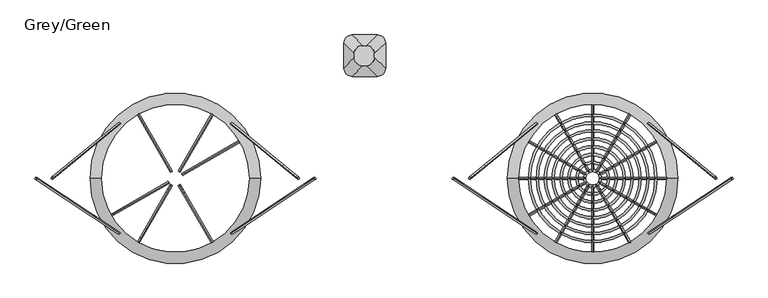
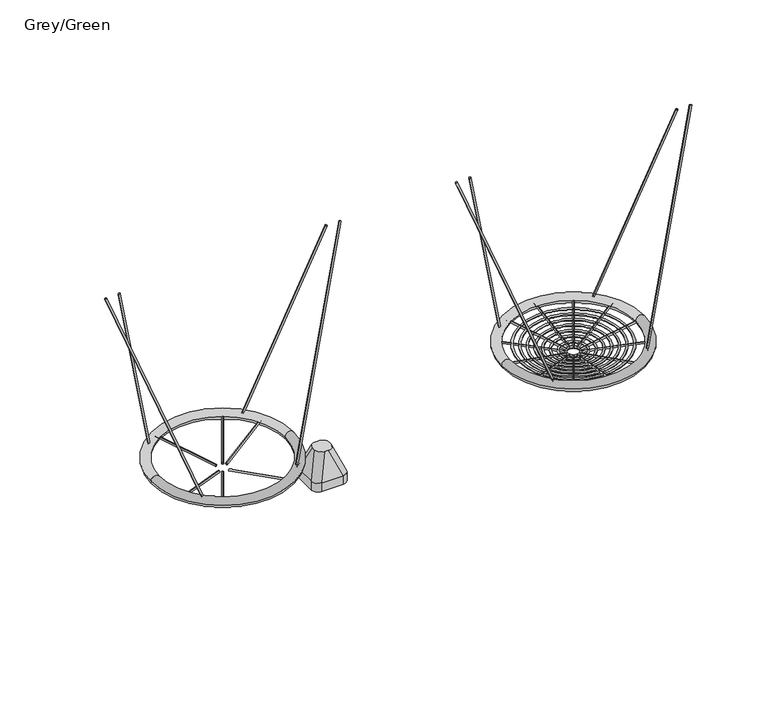
"""IFC4 building model written with IfcOpenShell, lengths in millimetres: furniture geometry, Grey/Green."""

from ifc_helpers import new_model, si_unit, point, frame, frame_2d, origin, place, context, project, spatial, circle_curve, ellipse_curve, trimmed, segment, composite_curve, outline, extrude, source, transform, mapped, element, save
from ifc_brep_helpers import plane_surface, cylinder_surface, revolved_surface, extruded_surface, advanced_brep


def grey_green_6af22bba(model_context):
    return source(origin(), model_context, "Body", "SolidModel", [
        advanced_brep(
        [(1275.0, 729.6564102, -604.0), (1215.0, 789.6564102, -604.0), (1215.0, 969.6564102, -604.0), (1275.0, 1029.6564102, -604.0), (1455.0, 1029.6564102, -604.0), (1515.0, 969.6564102, -604.0), (1515.0, 789.6564102, -604.0), (1455.0, 729.6564102, -604.0), (1455.0, 729.6564102, -526.0689494), (1275.0, 729.6564102, -526.0689494), (1515.0, 969.6564102, -526.0689494), (1515.0, 789.6564102, -526.0689494), (1275.0, 1029.6564102, -526.0689494), (1455.0, 1029.6564102, -526.0689494), (1215.0, 789.6564102, -526.0689494), (1215.0, 969.6564102, -526.0689494), (1373.9540451, 808.2074699, -316.0689494), (1433.9540451, 868.2074699, -316.0689494), (1433.9540451, 893.2074699, -316.0689494), (1373.9540451, 953.2074699, -316.0689494), (1348.9540451, 953.2074699, -316.0689494), (1288.9540451, 893.2074699, -316.0689494), (1288.9540451, 868.2074699, -316.0689494), (1348.9540451, 808.2074699, -316.0689494)],
        [
            (0, 1, circle_curve(frame((1275.0, 789.6564102, -604.0), z_axis=(0.0, 0.0, -1.0), x_axis=(-1.0, 0.0, 0.0)), 60.0)),
            (1, 2),
            (2, 3, circle_curve(frame((1275.0, 969.6564102, -604.0), z_axis=(0.0, 0.0, -1.0), x_axis=(-1.0, 0.0, 0.0)), 60.0)),
            (3, 4),
            (4, 5, circle_curve(frame((1455.0, 969.6564102, -604.0), z_axis=(0.0, 0.0, -1.0), x_axis=(-1.0, 0.0, 0.0)), 60.0)),
            (5, 6),
            (6, 7, circle_curve(frame((1455.0, 789.6564102, -604.0), z_axis=(0.0, 0.0, -1.0), x_axis=(-1.0, 0.0, 0.0)), 60.0)),
            (7, 0),
            (7, 8),
            (8, 9),
            (9, 0),
            (5, 10),
            (10, 11),
            (11, 6),
            (3, 12),
            (12, 13),
            (13, 4),
            (1, 14),
            (14, 15),
            (15, 2),
            (16, 17, circle_curve(frame((1373.9540451, 868.2074699, -316.0689494), z_axis=(0.0, 0.0, 1.0), x_axis=(-1.0, 0.0, 0.0)), 60.0)),
            (17, 18),
            (18, 19, circle_curve(frame((1373.9540451, 893.2074699, -316.0689494), z_axis=(0.0, 0.0, 1.0), x_axis=(-1.0, 0.0, 0.0)), 60.0)),
            (19, 20),
            (20, 21, circle_curve(frame((1348.9540451, 893.2074699, -316.0689494), z_axis=(0.0, 0.0, 1.0), x_axis=(-1.0, 0.0, 0.0)), 60.0)),
            (21, 22),
            (22, 23, circle_curve(frame((1348.9540451, 868.2074699, -316.0689494), z_axis=(0.0, 0.0, 1.0), x_axis=(-1.0, 0.0, 0.0)), 60.0)),
            (23, 16),
            (17, 11),
            (10, 18),
            (19, 13),
            (12, 20),
            (21, 15),
            (14, 22),
            (23, 9),
            (8, 16),
            (11, 8, circle_curve(frame((1455.0, 789.6564102, -526.0689494), z_axis=(0.0, 0.0, -1.0), x_axis=(-1.0, 0.0, 0.0)), 60.0)),
            (13, 10, circle_curve(frame((1455.0, 969.6564102, -526.0689494), z_axis=(0.0, 0.0, -1.0), x_axis=(-1.0, 0.0, 0.0)), 60.0)),
            (15, 12, circle_curve(frame((1275.0, 969.6564102, -526.0689494), z_axis=(0.0, 0.0, -1.0), x_axis=(-1.0, 0.0, 0.0)), 60.0)),
            (9, 14, circle_curve(frame((1275.0, 789.6564102, -526.0689494), z_axis=(0.0, 0.0, -1.0), x_axis=(-1.0, 0.0, 0.0)), 60.0)),
        ],
        [
            plane_surface(frame((1541.6329682, 729.6564102, -604.0), z_axis=(0.0, 0.0, -1.0), x_axis=(-1.0, 0.0, 0.0))),
            plane_surface(frame((1275.0, 729.6564102, -526.0689494), z_axis=(0.0, -1.0, 0.0), x_axis=(0.0, 0.0, -1.0))),
            plane_surface(frame((1515.0, 789.6564102, -526.0689494), z_axis=(1.0, 0.0, 0.0), x_axis=(0.0, 0.0, -1.0))),
            plane_surface(frame((1455.0, 1029.6564102, -526.0689494), z_axis=(0.0, 1.0, 0.0), x_axis=(0.0, 0.0, -1.0))),
            plane_surface(frame((1215.0, 969.6564102, -526.0689494), z_axis=(-1.0, 0.0, 0.0), x_axis=(0.0, 0.0, -1.0))),
            plane_surface(frame((1361.4540451, 880.7074699, -316.0689494), z_axis=(0.0, 0.0, 1.0), x_axis=(1.0, 0.0, 0.0))),
            plane_surface(frame((1515.0, 879.6564102, -526.0689494), z_axis=(0.9329330935587706, 0.0, 0.36004977842357055), x_axis=(0.0, 1.0, 0.0))),
            plane_surface(frame((1365.0, 1029.6564102, -526.0689494), z_axis=(0.0, 0.9396707723277333, 0.34208016550656856), x_axis=(-1.0, 0.0, 0.0))),
            plane_surface(frame((1215.0, 879.6564102, -526.0689494), z_axis=(-0.9432207285248213, 0.0, 0.33216661072586046), x_axis=(0.0, -1.0, 0.0))),
            plane_surface(frame((1365.0, 729.6564102, -526.0689494), z_axis=(0.0, -0.9366205672401335, 0.35034541958297477), x_axis=(1.0, 0.0, 0.0))),
            cylinder_surface(frame((1455.0, 789.6564102, -604.0), z_axis=(0.0, 0.0, 1.0), x_axis=(-1.0, 0.0, 0.0)), 60.0),
            cylinder_surface(frame((1455.0, 969.6564102, -604.0), z_axis=(0.0, 0.0, 1.0), x_axis=(-1.0, 0.0, 0.0)), 60.0),
            cylinder_surface(frame((1275.0, 969.6564102, -604.0), z_axis=(0.0, 0.0, 1.0), x_axis=(-1.0, 0.0, 0.0)), 60.0),
            cylinder_surface(frame((1275.0, 789.6564102, -604.0), z_axis=(0.0, 0.0, 1.0), x_axis=(-1.0, 0.0, 0.0)), 60.0),
            extruded_surface(trimmed(circle_curve(frame((1455.0, 789.6564102, -526.0689494), z_axis=(0.0, 0.0, 1.0), x_axis=(-1.0, 0.0, 0.0)), 60.0), [point((1455.0, 729.6564102, -526.0689494))], [point((1515.0, 789.6564102, -526.0689494))], True, "CARTESIAN"), (-81.04595489999997, 78.5510597, 209.99999999999994), 238.40871583406042),
            extruded_surface(trimmed(circle_curve(frame((1275.0, 789.6564102, -526.0689494), z_axis=(0.0, 0.0, 1.0), x_axis=(-1.0, 0.0, 0.0)), 60.0), [point((1215.0, 789.6564102, -526.0689494))], [point((1275.0, 729.6564102, -526.0689494))], True, "CARTESIAN"), (73.95404510000003, 78.5510597, 209.99999999999994), 236.0920790002193),
            extruded_surface(trimmed(circle_curve(frame((1455.0, 969.6564102, -526.0689494), z_axis=(0.0, 0.0, 1.0), x_axis=(-1.0, 0.0, 0.0)), 60.0), [point((1515.0, 969.6564102, -526.0689494))], [point((1455.0, 1029.6564102, -526.0689494))], True, "CARTESIAN"), (-81.04595489999997, -76.4489403, 209.99999999999994), 237.72439352882105),
            extruded_surface(trimmed(circle_curve(frame((1275.0, 969.6564102, -526.0689494), z_axis=(0.0, 0.0, 1.0), x_axis=(-1.0, 0.0, 0.0)), 60.0), [point((1275.0, 1029.6564102, -526.0689494))], [point((1215.0, 969.6564102, -526.0689494))], True, "CARTESIAN"), (73.95404510000003, -76.4489403, 209.99999999999994), 235.4010222145303),
        ],
        [
            (0, [[1, 2, 3, 4, 5, 6, 7, 8]]),
            (1, [[-8, 9, 10, 11]]),
            (2, [[-6, 12, 13, 14]]),
            (3, [[-4, 15, 16, 17]]),
            (4, [[-2, 18, 19, 20]]),
            (5, [[21, 22, 23, 24, 25, 26, 27, 28]]),
            (6, [[-22, 29, -13, 30]]),
            (7, [[-24, 31, -16, 32]]),
            (8, [[-26, 33, -19, 34]]),
            (9, [[-28, 35, -10, 36]]),
            (10, [[-7, -14, 37, -9]]),
            (11, [[-5, -17, 38, -12]]),
            (12, [[-3, -20, 39, -15]]),
            (13, [[-1, -11, 40, -18]]),
            (14, [[-21, -36, -37, -29]]),
            (15, [[-27, -34, -40, -35]]),
            (16, [[-23, -30, -38, -31]]),
            (17, [[-25, -32, -39, -33]]),
        ],
    ),
        extrude(outline(composite_curve([segment(trimmed(circle_curve(frame_2d((0.0, -8.0)), 8.0), [point((0.0, -16.0000001))], [point((0.0, 0.0))], False, "CARTESIAN"), True, "CONTINUOUS"), segment(trimmed(circle_curve(frame_2d((0.0, -8.0)), 8.0), [point((0.0, 0.0))], [point((0.0, -16.0000001))], False, "CARTESIAN"), True, "CONTINUOUS")], self_intersect=False)), frame((3414.7422445, 394.1498449, 610.6111416), z_axis=(0.2584020941085009, -0.211804995170902, 0.9425322285105141), x_axis=(-0.05600141735473467, -0.9773119481622305, -0.20426746494145032)), (0.0, 0.0, 1.0), 1883.5295867),
        extrude(outline(composite_curve([segment(trimmed(circle_curve(frame_2d((0.0, -8.0)), 8.0), [point((0.0, -16.0000001))], [point((0.0, 0.0))], False, "CARTESIAN"), True, "CONTINUOUS"), segment(trimmed(circle_curve(frame_2d((0.0, -8.0)), 8.0), [point((0.0, 0.0))], [point((0.0, -16.0000001))], False, "CARTESIAN"), True, "CONTINUOUS")], self_intersect=False)), frame((3414.6090341, -405.7062822, 610.149837), z_axis=(0.3152303539748724, 0.2080728409075072, 0.9259241420384049), x_axis=(0.06705856372205599, -0.9781133333498113, 0.19697069872155026)), (0.0, 0.0, 1.0), 1917.4037037),
        extrude(outline(composite_curve([segment(trimmed(circle_curve(frame_2d((0.0, -8.0)), 8.0), [point((0.0, -16.0000001))], [point((0.0, 0.0))], False, "CARTESIAN"), True, "CONTINUOUS"), segment(trimmed(circle_curve(frame_2d((0.0, -8.0)), 8.0), [point((0.0, 0.0))], [point((0.0, -16.0000001))], False, "CARTESIAN"), True, "CONTINUOUS")], self_intersect=False)), frame((2599.2577555, 394.1498449, 610.6111416), z_axis=(-0.25840209410850096, -0.21180499517090198, 0.942532228510514), x_axis=(-0.05600141735473466, 0.9773119481622304, 0.20426746494145032)), (0.0, 0.0, 1.0), 1883.5295867),
        extrude(outline(composite_curve([segment(trimmed(circle_curve(frame_2d((0.0, -8.0)), 8.0), [point((0.0, -16.0000001))], [point((0.0, 0.0))], False, "CARTESIAN"), True, "CONTINUOUS"), segment(trimmed(circle_curve(frame_2d((0.0, -8.0)), 8.0), [point((0.0, 0.0))], [point((0.0, -16.0000001))], False, "CARTESIAN"), True, "CONTINUOUS")], self_intersect=False)), frame((2599.3909659, -405.7062822, 610.149837), z_axis=(-0.3152303539748724, 0.20807284090750716, 0.9259241420384049), x_axis=(0.06705856372205597, 0.9781133333498113, -0.19697069872155024)), (0.0, 0.0, 1.0), 1917.4037037),
        advanced_brep(
        [(3542.0, -5.7567737, 592.6648611), (2472.0, -5.7567737, 592.6648611), (2392.0, -5.7567737, 592.6648611), (3622.0, -5.7567737, 592.6648611)],
        [
            (0, 1, circle_curve(frame((3007.0, -5.7567737, 592.6648611), z_axis=(0.0, 0.0, -1.0), x_axis=(-1.0, 0.0, 0.0)), 535.0)),
            (1, 2, circle_curve(frame((2432.0, -5.7567737, 592.6648611), z_axis=(0.0, -1.0, 0.0), x_axis=(1.0, 0.0, 0.0)), 40.0)),
            (2, 3, circle_curve(frame((3007.0, -5.7567737, 592.6648611), z_axis=(0.0, 0.0, 1.0), x_axis=(-1.0, 0.0, 0.0)), 615.0)),
            (3, 0, circle_curve(frame((3582.0, -5.7567737, 592.6648611), z_axis=(0.0, -1.0, 0.0), x_axis=(-1.0, 0.0, 0.0)), 40.0)),
            (2, 1, circle_curve(frame((2432.0, -5.7567737, 592.6648611), z_axis=(0.0, -1.0, 0.0), x_axis=(1.0, 0.0, 0.0)), 40.0)),
            (0, 3, circle_curve(frame((3582.0, -5.7567737, 592.6648611), z_axis=(0.0, -1.0, 0.0), x_axis=(-1.0, 0.0, 0.0)), 40.0)),
            (1, 0, circle_curve(frame((3007.0, -5.7567737, 592.6648611), z_axis=(0.0, 0.0, -1.0), x_axis=(1.0, 0.0, 0.0)), 535.0)),
            (3, 2, circle_curve(frame((3007.0, -5.7567737, 592.6648611), z_axis=(0.0, 0.0, 1.0), x_axis=(1.0, 0.0, 0.0)), 615.0)),
        ],
        [
            revolved_surface(trimmed(ellipse_curve(frame((2432.0, -5.7567737, 592.6648611), z_axis=(0.0, 1.0, 0.0), x_axis=(1.0, 0.0, 0.0)), 40.0, 40.0), [point((2392.0, -5.7567737, 592.6648611))], [point((2472.0, -5.7567737, 592.6648611))], True, "CARTESIAN"), (3007.0, -5.7567737, 0.1), (0.0, 0.0, 1.0)),
            revolved_surface(trimmed(ellipse_curve(frame((2432.0, -5.7567737, 592.6648611), z_axis=(0.0, 1.0, 0.0), x_axis=(1.0, 0.0, 0.0)), 40.0, 40.0), [point((2472.0, -5.7567737, 592.6648611))], [point((2392.0, -5.7567737, 592.6648611))], True, "CARTESIAN"), (3007.0, -5.7567737, 0.1), (0.0, 0.0, 1.0)),
            revolved_surface(trimmed(ellipse_curve(frame((3582.0, -5.7567737, 592.6648611), z_axis=(0.0, -1.0, 0.0), x_axis=(-1.0, 0.0, 0.0)), 40.0, 40.0), [point((3622.0, -5.7567737, 592.6648611))], [point((3542.0, -5.7567737, 592.6648611))], True, "CARTESIAN"), (3007.0, -5.7567737, 0.1), (0.0, 0.0, 1.0)),
            revolved_surface(trimmed(ellipse_curve(frame((3582.0, -5.7567737, 592.6648611), z_axis=(0.0, -1.0, 0.0), x_axis=(-1.0, 0.0, 0.0)), 40.0, 40.0), [point((3542.0, -5.7567737, 592.6648611))], [point((3622.0, -5.7567737, 592.6648611))], True, "CARTESIAN"), (3007.0, -5.7567737, 0.1), (0.0, 0.0, 1.0)),
        ],
        [
            (0, [[1, 2, 3, 4]]),
            (1, [[-3, 5, -1, 6]]),
            (2, [[7, -4, 8, -2]]),
            (3, [[-8, -6, -7, -5]]),
        ],
    ),
        extrude(outline(composite_curve([segment(trimmed(circle_curve(frame_2d((0.0, -8.0000001)), 8.0), [point((0.0, -16.0))], [point((0.0, 0.0))], False, "CARTESIAN"), True, "CONTINUOUS"), segment(trimmed(circle_curve(frame_2d((0.0, -8.0000001)), 8.0), [point((0.0, 0.0))], [point((0.0, -16.0))], False, "CARTESIAN"), True, "CONTINUOUS")], self_intersect=False)), frame((2958.6945278, -33.6501141, 510.4143934), z_axis=(-0.8532184077808869, -0.4926058774098319, 0.17134117475124827), x_axis=(0.49999999999999467, -0.8660254037844417, 0.0)), (0.0, 0.0, 1.0), 525.6770169),
        extrude(outline(composite_curve([segment(trimmed(circle_curve(frame_2d((0.0, -8.0000001)), 8.0), [point((0.0, -16.0))], [point((0.0, 0.0))], False, "CARTESIAN"), True, "CONTINUOUS"), segment(trimmed(circle_curve(frame_2d((0.0, -8.0000001)), 8.0), [point((0.0, 0.0))], [point((0.0, -16.0))], False, "CARTESIAN"), True, "CONTINUOUS")], self_intersect=False)), frame((3055.2360089, 22.088136, 510.5528529), z_axis=(0.8532184077808838, 0.4926058774098376, 0.17134117475124827), x_axis=(-0.5000000000000003, 0.8660254037844385, 0.0)), (0.0, 0.0, 1.0), 525.6770169),
        extrude(outline(composite_curve([segment(trimmed(circle_curve(frame_2d((0.0, -8.0000001)), 8.0), [point((0.0, -16.0))], [point((0.0, 0.0))], False, "CARTESIAN"), True, "CONTINUOUS"), segment(trimmed(circle_curve(frame_2d((0.0, -8.0000001)), 8.0), [point((0.0, 0.0))], [point((0.0, -16.0))], False, "CARTESIAN"), True, "CONTINUOUS")], self_intersect=False)), frame((2979.0961433, -54.0517296, 510.4143934), z_axis=(-0.492605877409843, -0.8532184077808806, 0.1713411747512483), x_axis=(0.8660254037844353, -0.5000000000000059, 0.0)), (0.0, 0.0, 1.0), 525.6770169),
        extrude(outline(composite_curve([segment(trimmed(circle_curve(frame_2d((0.0, -8.0000001)), 8.0), [point((0.0, -16.0))], [point((0.0, 0.0))], False, "CARTESIAN"), True, "CONTINUOUS"), segment(trimmed(circle_curve(frame_2d((0.0, -8.0000001)), 8.0), [point((0.0, 0.0))], [point((0.0, -16.0))], False, "CARTESIAN"), True, "CONTINUOUS")], self_intersect=False)), frame((3034.8343934, 42.4897515, 510.5528529), z_axis=(0.4926058774098375, 0.8532184077808838, 0.1713411747512483), x_axis=(-0.8660254037844385, 0.5000000000000003, 0.0)), (0.0, 0.0, 1.0), 525.6770169),
        extrude(outline(composite_curve([segment(trimmed(circle_curve(frame_2d((0.0, -8.0000001)), 8.0), [point((0.0, -16.0))], [point((0.0, 0.0))], False, "CARTESIAN"), True, "CONTINUOUS"), segment(trimmed(circle_curve(frame_2d((0.0, -8.0000001)), 8.0), [point((0.0, 0.0))], [point((0.0, -16.0))], False, "CARTESIAN"), True, "CONTINUOUS")], self_intersect=False)), frame((2979.0961433, 42.4897515, 510.4143934), z_axis=(-0.49260587740982914, 0.8532184077808888, 0.17134117475124835), x_axis=(-0.8660254037844434, -0.49999999999999173, 0.0)), (0.0, 0.0, 1.0), 525.6770169),
        extrude(outline(composite_curve([segment(trimmed(circle_curve(frame_2d((0.0, -8.0000001)), 8.0), [point((0.0, -16.0))], [point((0.0, 0.0))], False, "CARTESIAN"), True, "CONTINUOUS"), segment(trimmed(circle_curve(frame_2d((0.0, -8.0000001)), 8.0), [point((0.0, 0.0))], [point((0.0, -16.0))], False, "CARTESIAN"), True, "CONTINUOUS")], self_intersect=False)), frame((3034.8343934, -54.0517296, 510.5528529), z_axis=(0.49260587740983475, -0.8532184077808853, 0.17134117475124838), x_axis=(0.8660254037844402, 0.4999999999999975, 0.0)), (0.0, 0.0, 1.0), 525.6770169),
        extrude(outline(composite_curve([segment(trimmed(circle_curve(frame_2d((0.0, -8.0000001)), 8.0), [point((0.0, -16.0))], [point((0.0, 0.0))], False, "CARTESIAN"), True, "CONTINUOUS"), segment(trimmed(circle_curve(frame_2d((0.0, -8.0000001)), 8.0), [point((0.0, 0.0))], [point((0.0, -16.0))], False, "CARTESIAN"), True, "CONTINUOUS")], self_intersect=False)), frame((2958.6945278, 22.088136, 510.4143934), z_axis=(-0.8532184077808784, 0.4926058774098467, 0.17134117475124833), x_axis=(-0.5000000000000097, -0.8660254037844332, 0.0)), (0.0, 0.0, 1.0), 525.6770169),
        extrude(outline(composite_curve([segment(trimmed(circle_curve(frame_2d((0.0, -8.0000001)), 8.0), [point((0.0, -16.0))], [point((0.0, 0.0))], False, "CARTESIAN"), True, "CONTINUOUS"), segment(trimmed(circle_curve(frame_2d((0.0, -8.0000001)), 8.0), [point((0.0, 0.0))], [point((0.0, -16.0))], False, "CARTESIAN"), True, "CONTINUOUS")], self_intersect=False)), frame((3055.2360089, -33.6501141, 510.5528529), z_axis=(0.8532184077808816, -0.49260587740984113, 0.17134117475124833), x_axis=(0.500000000000004, 0.8660254037844364, 0.0)), (0.0, 0.0, 1.0), 525.6770169),
        extrude(outline(composite_curve([segment(trimmed(circle_curve(frame_2d((0.0, -8.0000001)), 8.0), [point((0.0, -16.0))], [point((0.0, 0.0))], False, "CARTESIAN"), True, "CONTINUOUS"), segment(trimmed(circle_curve(frame_2d((0.0, -8.0000001)), 8.0), [point((0.0, 0.0))], [point((0.0, -16.0))], False, "CARTESIAN"), True, "CONTINUOUS")], self_intersect=False)), frame((2951.2270182, -5.7809891, 510.4143934), z_axis=(-0.9852117548196744, 0.0, 0.1713411747512483), x_axis=(0.0, -1.0, 0.0)), (0.0, 0.0, 1.0), 525.6770169),
        extrude(outline(composite_curve([segment(trimmed(circle_curve(frame_2d((0.0, -8.0000001)), 8.0), [point((0.0, -16.0))], [point((0.0, 0.0))], False, "CARTESIAN"), True, "CONTINUOUS"), segment(trimmed(circle_curve(frame_2d((0.0, -8.0000001)), 8.0), [point((0.0, 0.0))], [point((0.0, -16.0))], False, "CARTESIAN"), True, "CONTINUOUS")], self_intersect=False)), frame((3062.7035184, -5.7809891, 510.5528529), z_axis=(0.9852117548196744, 0.0, 0.1713411747512483), x_axis=(0.0, 1.0, 0.0)), (0.0, 0.0, 1.0), 525.6770169),
        extrude(outline(composite_curve([segment(trimmed(circle_curve(frame_2d((0.0, -8.0000001)), 8.0), [point((0.0, -16.0))], [point((0.0, 0.0))], False, "CARTESIAN"), True, "CONTINUOUS"), segment(trimmed(circle_curve(frame_2d((0.0, -8.0000001)), 8.0), [point((0.0, 0.0))], [point((0.0, -16.0))], False, "CARTESIAN"), True, "CONTINUOUS")], self_intersect=False)), frame((3006.9652683, -61.5192392, 510.4143934), z_axis=(0.0, -0.9852117548196744, 0.17134117475124827), x_axis=(1.0, 0.0, 0.0)), (0.0, 0.0, 1.0), 525.6770169),
        extrude(outline(composite_curve([segment(trimmed(circle_curve(frame_2d((0.0, -8.0000001)), 8.0), [point((0.0, -16.0))], [point((0.0, 0.0))], False, "CARTESIAN"), True, "CONTINUOUS"), segment(trimmed(circle_curve(frame_2d((0.0, -8.0000001)), 8.0), [point((0.0, 0.0))], [point((0.0, -16.0))], False, "CARTESIAN"), True, "CONTINUOUS")], self_intersect=False)), frame((3006.9652683, 49.957261, 510.5528529), z_axis=(0.0, 0.9852117548196744, 0.1713411747512483), x_axis=(-1.0, 0.0, 0.0)), (0.0, 0.0, 1.0), 525.6770169),
        advanced_brep(
        [(3455.7364652, -5.7567737, 572.190214), (2558.2635348, -5.7567737, 572.190214), (2542.2635348, -5.7567737, 572.190214), (3471.7364652, -5.7567737, 572.190214)],
        [
            (0, 1, circle_curve(frame((3007.0, -5.7567737, 572.190214), z_axis=(0.0, 0.0, -1.0), x_axis=(-1.0, 0.0, 0.0)), 448.7364652)),
            (1, 2, circle_curve(frame((2550.2635348, -5.7567737, 572.190214), z_axis=(0.0, -1.0, 0.0), x_axis=(1.0, 0.0, 0.0)), 8.0)),
            (2, 3, circle_curve(frame((3007.0, -5.7567737, 572.190214), z_axis=(0.0, 0.0, 1.0), x_axis=(-1.0, 0.0, 0.0)), 464.7364652)),
            (3, 0, circle_curve(frame((3463.7364652, -5.7567737, 572.190214), z_axis=(0.0, -1.0, 0.0), x_axis=(-1.0, 0.0, 0.0)), 8.0)),
            (2, 1, circle_curve(frame((2550.2635348, -5.7567737, 572.190214), z_axis=(0.0, -1.0, 0.0), x_axis=(1.0, 0.0, 0.0)), 8.0)),
            (0, 3, circle_curve(frame((3463.7364652, -5.7567737, 572.190214), z_axis=(0.0, -1.0, 0.0), x_axis=(-1.0, 0.0, 0.0)), 8.0)),
            (1, 0, circle_curve(frame((3007.0, -5.7567737, 572.190214), z_axis=(0.0, 0.0, -1.0), x_axis=(1.0, 0.0, 0.0)), 448.7364652)),
            (3, 2, circle_curve(frame((3007.0, -5.7567737, 572.190214), z_axis=(0.0, 0.0, 1.0), x_axis=(1.0, 0.0, 0.0)), 464.7364652)),
        ],
        [
            revolved_surface(trimmed(ellipse_curve(frame((2550.2635348, -5.7567737, 572.190214), z_axis=(0.0, 1.0, 0.0), x_axis=(1.0, 0.0, 0.0)), 8.0, 8.0), [point((2542.2635348, -5.7567737, 572.190214))], [point((2558.2635348, -5.7567737, 572.190214))], True, "CARTESIAN"), (3007.0, -5.7567737, 0.1), (0.0, 0.0, 1.0)),
            revolved_surface(trimmed(ellipse_curve(frame((2550.2635348, -5.7567737, 572.190214), z_axis=(0.0, 1.0, 0.0), x_axis=(1.0, 0.0, 0.0)), 8.0, 8.0), [point((2558.2635348, -5.7567737, 572.190214))], [point((2542.2635348, -5.7567737, 572.190214))], True, "CARTESIAN"), (3007.0, -5.7567737, 0.1), (0.0, 0.0, 1.0)),
            revolved_surface(trimmed(ellipse_curve(frame((3463.7364652, -5.7567737, 572.190214), z_axis=(0.0, -1.0, 0.0), x_axis=(-1.0, 0.0, 0.0)), 8.0, 8.0), [point((3471.7364652, -5.7567737, 572.190214))], [point((3455.7364652, -5.7567737, 572.190214))], True, "CARTESIAN"), (3007.0, -5.7567737, 0.1), (0.0, 0.0, 1.0)),
            revolved_surface(trimmed(ellipse_curve(frame((3463.7364652, -5.7567737, 572.190214), z_axis=(0.0, -1.0, 0.0), x_axis=(-1.0, 0.0, 0.0)), 8.0, 8.0), [point((3455.7364652, -5.7567737, 572.190214))], [point((3471.7364652, -5.7567737, 572.190214))], True, "CARTESIAN"), (3007.0, -5.7567737, 0.1), (0.0, 0.0, 1.0)),
        ],
        [
            (0, [[1, 2, 3, 4]]),
            (1, [[-3, 5, -1, 6]]),
            (2, [[7, -4, 8, -2]]),
            (3, [[-8, -6, -7, -5]]),
        ],
    ),
        advanced_brep(
        [(3398.6928848, -5.7567737, 562.1714642), (2615.3071152, -5.7567737, 562.1714642), (2599.3071152, -5.7567737, 562.1714642), (3414.6928848, -5.7567737, 562.1714642)],
        [
            (0, 1, circle_curve(frame((3007.0, -5.7567737, 562.1714642), z_axis=(0.0, 0.0, -1.0), x_axis=(-1.0, 0.0, 0.0)), 391.6928848)),
            (1, 2, circle_curve(frame((2607.3071152, -5.7567737, 562.1714642), z_axis=(0.0, -1.0, 0.0), x_axis=(1.0, 0.0, 0.0)), 8.0)),
            (2, 3, circle_curve(frame((3007.0, -5.7567737, 562.1714642), z_axis=(0.0, 0.0, 1.0), x_axis=(-1.0, 0.0, 0.0)), 407.6928848)),
            (3, 0, circle_curve(frame((3406.6928848, -5.7567737, 562.1714642), z_axis=(0.0, -1.0, 0.0), x_axis=(-1.0, 0.0, 0.0)), 8.0)),
            (2, 1, circle_curve(frame((2607.3071152, -5.7567737, 562.1714642), z_axis=(0.0, -1.0, 0.0), x_axis=(1.0, 0.0, 0.0)), 8.0)),
            (0, 3, circle_curve(frame((3406.6928848, -5.7567737, 562.1714642), z_axis=(0.0, -1.0, 0.0), x_axis=(-1.0, 0.0, 0.0)), 8.0)),
            (1, 0, circle_curve(frame((3007.0, -5.7567737, 562.1714642), z_axis=(0.0, 0.0, -1.0), x_axis=(1.0, 0.0, 0.0)), 391.6928848)),
            (3, 2, circle_curve(frame((3007.0, -5.7567737, 562.1714642), z_axis=(0.0, 0.0, 1.0), x_axis=(1.0, 0.0, 0.0)), 407.6928848)),
        ],
        [
            revolved_surface(trimmed(ellipse_curve(frame((2607.3071152, -5.7567737, 562.1714642), z_axis=(0.0, 1.0, 0.0), x_axis=(1.0, 0.0, 0.0)), 8.0, 8.0), [point((2599.3071152, -5.7567737, 562.1714642))], [point((2615.3071152, -5.7567737, 562.1714642))], True, "CARTESIAN"), (3007.0, -5.7567737, 0.1), (0.0, 0.0, 1.0)),
            revolved_surface(trimmed(ellipse_curve(frame((2607.3071152, -5.7567737, 562.1714642), z_axis=(0.0, 1.0, 0.0), x_axis=(1.0, 0.0, 0.0)), 8.0, 8.0), [point((2615.3071152, -5.7567737, 562.1714642))], [point((2599.3071152, -5.7567737, 562.1714642))], True, "CARTESIAN"), (3007.0, -5.7567737, 0.1), (0.0, 0.0, 1.0)),
            revolved_surface(trimmed(ellipse_curve(frame((3406.6928848, -5.7567737, 562.1714642), z_axis=(0.0, -1.0, 0.0), x_axis=(-1.0, 0.0, 0.0)), 8.0, 8.0), [point((3414.6928848, -5.7567737, 562.1714642))], [point((3398.6928848, -5.7567737, 562.1714642))], True, "CARTESIAN"), (3007.0, -5.7567737, 0.1), (0.0, 0.0, 1.0)),
            revolved_surface(trimmed(ellipse_curve(frame((3406.6928848, -5.7567737, 562.1714642), z_axis=(0.0, -1.0, 0.0), x_axis=(-1.0, 0.0, 0.0)), 8.0, 8.0), [point((3398.6928848, -5.7567737, 562.1714642))], [point((3414.6928848, -5.7567737, 562.1714642))], True, "CARTESIAN"), (3007.0, -5.7567737, 0.1), (0.0, 0.0, 1.0)),
        ],
        [
            (0, [[1, 2, 3, 4]]),
            (1, [[-3, 5, -1, 6]]),
            (2, [[7, -4, 8, -2]]),
            (3, [[-8, -6, -7, -5]]),
        ],
    ),
        advanced_brep(
        [(3341.6014773, -5.7567737, 552.3139496), (2672.3985227, -5.7567737, 552.3139496), (2656.3985227, -5.7567737, 552.3139496), (3357.6014773, -5.7567737, 552.3139496)],
        [
            (0, 1, circle_curve(frame((3007.0, -5.7567737, 552.3139496), z_axis=(0.0, 0.0, -1.0), x_axis=(-1.0, 0.0, 0.0)), 334.6014773)),
            (1, 2, circle_curve(frame((2664.3985227, -5.7567737, 552.3139496), z_axis=(0.0, -1.0, 0.0), x_axis=(1.0, 0.0, 0.0)), 8.0)),
            (2, 3, circle_curve(frame((3007.0, -5.7567737, 552.3139496), z_axis=(0.0, 0.0, 1.0), x_axis=(-1.0, 0.0, 0.0)), 350.6014773)),
            (3, 0, circle_curve(frame((3349.6014773, -5.7567737, 552.3139496), z_axis=(0.0, -1.0, 0.0), x_axis=(-1.0, 0.0, 0.0)), 8.0)),
            (2, 1, circle_curve(frame((2664.3985227, -5.7567737, 552.3139496), z_axis=(0.0, -1.0, 0.0), x_axis=(1.0, 0.0, 0.0)), 8.0)),
            (0, 3, circle_curve(frame((3349.6014773, -5.7567737, 552.3139496), z_axis=(0.0, -1.0, 0.0), x_axis=(-1.0, 0.0, 0.0)), 8.0)),
            (1, 0, circle_curve(frame((3007.0, -5.7567737, 552.3139496), z_axis=(0.0, 0.0, -1.0), x_axis=(1.0, 0.0, 0.0)), 334.6014773)),
            (3, 2, circle_curve(frame((3007.0, -5.7567737, 552.3139496), z_axis=(0.0, 0.0, 1.0), x_axis=(1.0, 0.0, 0.0)), 350.6014773)),
        ],
        [
            revolved_surface(trimmed(ellipse_curve(frame((2664.3985227, -5.7567737, 552.3139496), z_axis=(0.0, 1.0, 0.0), x_axis=(1.0, 0.0, 0.0)), 8.0, 8.0), [point((2656.3985227, -5.7567737, 552.3139496))], [point((2672.3985227, -5.7567737, 552.3139496))], True, "CARTESIAN"), (3007.0, -5.7567737, 0.1), (0.0, 0.0, 1.0)),
            revolved_surface(trimmed(ellipse_curve(frame((2664.3985227, -5.7567737, 552.3139496), z_axis=(0.0, 1.0, 0.0), x_axis=(1.0, 0.0, 0.0)), 8.0, 8.0), [point((2672.3985227, -5.7567737, 552.3139496))], [point((2656.3985227, -5.7567737, 552.3139496))], True, "CARTESIAN"), (3007.0, -5.7567737, 0.1), (0.0, 0.0, 1.0)),
            revolved_surface(trimmed(ellipse_curve(frame((3349.6014773, -5.7567737, 552.3139496), z_axis=(0.0, -1.0, 0.0), x_axis=(-1.0, 0.0, 0.0)), 8.0, 8.0), [point((3357.6014773, -5.7567737, 552.3139496))], [point((3341.6014773, -5.7567737, 552.3139496))], True, "CARTESIAN"), (3007.0, -5.7567737, 0.1), (0.0, 0.0, 1.0)),
            revolved_surface(trimmed(ellipse_curve(frame((3349.6014773, -5.7567737, 552.3139496), z_axis=(0.0, -1.0, 0.0), x_axis=(-1.0, 0.0, 0.0)), 8.0, 8.0), [point((3341.6014773, -5.7567737, 552.3139496))], [point((3357.6014773, -5.7567737, 552.3139496))], True, "CARTESIAN"), (3007.0, -5.7567737, 0.1), (0.0, 0.0, 1.0)),
        ],
        [
            (0, [[1, 2, 3, 4]]),
            (1, [[-3, 5, -1, 6]]),
            (2, [[7, -4, 8, -2]]),
            (3, [[-8, -6, -7, -5]]),
        ],
    ),
        advanced_brep(
        [(3284.4216223, -5.7567737, 542.3912884), (2729.5783777, -5.7567737, 542.3912884), (2713.5783777, -5.7567737, 542.3912884), (3300.4216223, -5.7567737, 542.3912884)],
        [
            (0, 1, circle_curve(frame((3007.0, -5.7567737, 542.3912884), z_axis=(0.0, 0.0, -1.0), x_axis=(-1.0, 0.0, 0.0)), 277.4216223)),
            (1, 2, circle_curve(frame((2721.5783777, -5.7567737, 542.3912884), z_axis=(0.0, -1.0, 0.0), x_axis=(1.0, 0.0, 0.0)), 8.0)),
            (2, 3, circle_curve(frame((3007.0, -5.7567737, 542.3912884), z_axis=(0.0, 0.0, 1.0), x_axis=(-1.0, 0.0, 0.0)), 293.4216223)),
            (3, 0, circle_curve(frame((3292.4216223, -5.7567737, 542.3912884), z_axis=(0.0, -1.0, 0.0), x_axis=(-1.0, 0.0, 0.0)), 8.0)),
            (2, 1, circle_curve(frame((2721.5783777, -5.7567737, 542.3912884), z_axis=(0.0, -1.0, 0.0), x_axis=(1.0, 0.0, 0.0)), 8.0)),
            (0, 3, circle_curve(frame((3292.4216223, -5.7567737, 542.3912884), z_axis=(0.0, -1.0, 0.0), x_axis=(-1.0, 0.0, 0.0)), 8.0)),
            (1, 0, circle_curve(frame((3007.0, -5.7567737, 542.3912884), z_axis=(0.0, 0.0, -1.0), x_axis=(1.0, 0.0, 0.0)), 277.4216223)),
            (3, 2, circle_curve(frame((3007.0, -5.7567737, 542.3912884), z_axis=(0.0, 0.0, 1.0), x_axis=(1.0, 0.0, 0.0)), 293.4216223)),
        ],
        [
            revolved_surface(trimmed(ellipse_curve(frame((2721.5783777, -5.7567737, 542.3912884), z_axis=(0.0, 1.0, 0.0), x_axis=(1.0, 0.0, 0.0)), 8.0, 8.0), [point((2713.5783777, -5.7567737, 542.3912884))], [point((2729.5783777, -5.7567737, 542.3912884))], True, "CARTESIAN"), (3007.0, -5.7567737, 0.1), (0.0, 0.0, 1.0)),
            revolved_surface(trimmed(ellipse_curve(frame((2721.5783777, -5.7567737, 542.3912884), z_axis=(0.0, 1.0, 0.0), x_axis=(1.0, 0.0, 0.0)), 8.0, 8.0), [point((2729.5783777, -5.7567737, 542.3912884))], [point((2713.5783777, -5.7567737, 542.3912884))], True, "CARTESIAN"), (3007.0, -5.7567737, 0.1), (0.0, 0.0, 1.0)),
            revolved_surface(trimmed(ellipse_curve(frame((3292.4216223, -5.7567737, 542.3912884), z_axis=(0.0, -1.0, 0.0), x_axis=(-1.0, 0.0, 0.0)), 8.0, 8.0), [point((3300.4216223, -5.7567737, 542.3912884))], [point((3284.4216223, -5.7567737, 542.3912884))], True, "CARTESIAN"), (3007.0, -5.7567737, 0.1), (0.0, 0.0, 1.0)),
            revolved_surface(trimmed(ellipse_curve(frame((3292.4216223, -5.7567737, 542.3912884), z_axis=(0.0, -1.0, 0.0), x_axis=(-1.0, 0.0, 0.0)), 8.0, 8.0), [point((3284.4216223, -5.7567737, 542.3912884))], [point((3300.4216223, -5.7567737, 542.3912884))], True, "CARTESIAN"), (3007.0, -5.7567737, 0.1), (0.0, 0.0, 1.0)),
        ],
        [
            (0, [[1, 2, 3, 4]]),
            (1, [[-3, 5, -1, 6]]),
            (2, [[7, -4, 8, -2]]),
            (3, [[-8, -6, -7, -5]]),
        ],
    ),
        advanced_brep(
        [(3227.4010994, -5.7567737, 532.4558342), (2786.5989006, -5.7567737, 532.4558342), (2770.5989006, -5.7567737, 532.4558342), (3243.4010994, -5.7567737, 532.4558342)],
        [
            (0, 1, circle_curve(frame((3007.0, -5.7567737, 532.4558342), z_axis=(0.0, 0.0, -1.0), x_axis=(-1.0, 0.0, 0.0)), 220.4010994)),
            (1, 2, circle_curve(frame((2778.5989006, -5.7567737, 532.4558342), z_axis=(0.0, -1.0, 0.0), x_axis=(1.0, 0.0, 0.0)), 8.0)),
            (2, 3, circle_curve(frame((3007.0, -5.7567737, 532.4558342), z_axis=(0.0, 0.0, 1.0), x_axis=(-1.0, 0.0, 0.0)), 236.4010994)),
            (3, 0, circle_curve(frame((3235.4010994, -5.7567737, 532.4558342), z_axis=(0.0, -1.0, 0.0), x_axis=(-1.0, 0.0, 0.0)), 8.0)),
            (2, 1, circle_curve(frame((2778.5989006, -5.7567737, 532.4558342), z_axis=(0.0, -1.0, 0.0), x_axis=(1.0, 0.0, 0.0)), 8.0)),
            (0, 3, circle_curve(frame((3235.4010994, -5.7567737, 532.4558342), z_axis=(0.0, -1.0, 0.0), x_axis=(-1.0, 0.0, 0.0)), 8.0)),
            (1, 0, circle_curve(frame((3007.0, -5.7567737, 532.4558342), z_axis=(0.0, 0.0, -1.0), x_axis=(1.0, 0.0, 0.0)), 220.4010994)),
            (3, 2, circle_curve(frame((3007.0, -5.7567737, 532.4558342), z_axis=(0.0, 0.0, 1.0), x_axis=(1.0, 0.0, 0.0)), 236.4010994)),
        ],
        [
            revolved_surface(trimmed(ellipse_curve(frame((2778.5989006, -5.7567737, 532.4558342), z_axis=(0.0, 1.0, 0.0), x_axis=(1.0, 0.0, 0.0)), 8.0, 8.0), [point((2770.5989006, -5.7567737, 532.4558342))], [point((2786.5989006, -5.7567737, 532.4558342))], True, "CARTESIAN"), (3007.0, -5.7567737, 0.1), (0.0, 0.0, 1.0)),
            revolved_surface(trimmed(ellipse_curve(frame((2778.5989006, -5.7567737, 532.4558342), z_axis=(0.0, 1.0, 0.0), x_axis=(1.0, 0.0, 0.0)), 8.0, 8.0), [point((2786.5989006, -5.7567737, 532.4558342))], [point((2770.5989006, -5.7567737, 532.4558342))], True, "CARTESIAN"), (3007.0, -5.7567737, 0.1), (0.0, 0.0, 1.0)),
            revolved_surface(trimmed(ellipse_curve(frame((3235.4010994, -5.7567737, 532.4558342), z_axis=(0.0, -1.0, 0.0), x_axis=(-1.0, 0.0, 0.0)), 8.0, 8.0), [point((3243.4010994, -5.7567737, 532.4558342))], [point((3227.4010994, -5.7567737, 532.4558342))], True, "CARTESIAN"), (3007.0, -5.7567737, 0.1), (0.0, 0.0, 1.0)),
            revolved_surface(trimmed(ellipse_curve(frame((3235.4010994, -5.7567737, 532.4558342), z_axis=(0.0, -1.0, 0.0), x_axis=(-1.0, 0.0, 0.0)), 8.0, 8.0), [point((3227.4010994, -5.7567737, 532.4558342))], [point((3243.4010994, -5.7567737, 532.4558342))], True, "CARTESIAN"), (3007.0, -5.7567737, 0.1), (0.0, 0.0, 1.0)),
        ],
        [
            (0, [[1, 2, 3, 4]]),
            (1, [[-3, 5, -1, 6]]),
            (2, [[7, -4, 8, -2]]),
            (3, [[-8, -6, -7, -5]]),
        ],
    ),
        advanced_brep(
        [(3170.3918023, -5.7567737, 522.4456297), (2843.6081977, -5.7567737, 522.4456297), (2827.6081977, -5.7567737, 522.4456297), (3186.3918023, -5.7567737, 522.4456297)],
        [
            (0, 1, circle_curve(frame((3007.0, -5.7567737, 522.4456297), z_axis=(0.0, 0.0, -1.0), x_axis=(-1.0, 0.0, 0.0)), 163.3918023)),
            (1, 2, circle_curve(frame((2835.6081977, -5.7567737, 522.4456297), z_axis=(0.0, -1.0, 0.0), x_axis=(1.0, 0.0, 0.0)), 8.0)),
            (2, 3, circle_curve(frame((3007.0, -5.7567737, 522.4456297), z_axis=(0.0, 0.0, 1.0), x_axis=(-1.0, 0.0, 0.0)), 179.3918023)),
            (3, 0, circle_curve(frame((3178.3918023, -5.7567737, 522.4456297), z_axis=(0.0, -1.0, 0.0), x_axis=(-1.0, 0.0, 0.0)), 8.0)),
            (2, 1, circle_curve(frame((2835.6081977, -5.7567737, 522.4456297), z_axis=(0.0, -1.0, 0.0), x_axis=(1.0, 0.0, 0.0)), 8.0)),
            (0, 3, circle_curve(frame((3178.3918023, -5.7567737, 522.4456297), z_axis=(0.0, -1.0, 0.0), x_axis=(-1.0, 0.0, 0.0)), 8.0)),
            (1, 0, circle_curve(frame((3007.0, -5.7567737, 522.4456297), z_axis=(0.0, 0.0, -1.0), x_axis=(1.0, 0.0, 0.0)), 163.3918023)),
            (3, 2, circle_curve(frame((3007.0, -5.7567737, 522.4456297), z_axis=(0.0, 0.0, 1.0), x_axis=(1.0, 0.0, 0.0)), 179.3918023)),
        ],
        [
            revolved_surface(trimmed(ellipse_curve(frame((2835.6081977, -5.7567737, 522.4456297), z_axis=(0.0, 1.0, 0.0), x_axis=(1.0, 0.0, 0.0)), 8.0, 8.0), [point((2827.6081977, -5.7567737, 522.4456297))], [point((2843.6081977, -5.7567737, 522.4456297))], True, "CARTESIAN"), (3007.0, -5.7567737, 0.1), (0.0, 0.0, 1.0)),
            revolved_surface(trimmed(ellipse_curve(frame((2835.6081977, -5.7567737, 522.4456297), z_axis=(0.0, 1.0, 0.0), x_axis=(1.0, 0.0, 0.0)), 8.0, 8.0), [point((2843.6081977, -5.7567737, 522.4456297))], [point((2827.6081977, -5.7567737, 522.4456297))], True, "CARTESIAN"), (3007.0, -5.7567737, 0.1), (0.0, 0.0, 1.0)),
            revolved_surface(trimmed(ellipse_curve(frame((3178.3918023, -5.7567737, 522.4456297), z_axis=(0.0, -1.0, 0.0), x_axis=(-1.0, 0.0, 0.0)), 8.0, 8.0), [point((3186.3918023, -5.7567737, 522.4456297))], [point((3170.3918023, -5.7567737, 522.4456297))], True, "CARTESIAN"), (3007.0, -5.7567737, 0.1), (0.0, 0.0, 1.0)),
            revolved_surface(trimmed(ellipse_curve(frame((3178.3918023, -5.7567737, 522.4456297), z_axis=(0.0, -1.0, 0.0), x_axis=(-1.0, 0.0, 0.0)), 8.0, 8.0), [point((3170.3918023, -5.7567737, 522.4456297))], [point((3186.3918023, -5.7567737, 522.4456297))], True, "CARTESIAN"), (3007.0, -5.7567737, 0.1), (0.0, 0.0, 1.0)),
        ],
        [
            (0, [[1, 2, 3, 4]]),
            (1, [[-3, 5, -1, 6]]),
            (2, [[7, -4, 8, -2]]),
            (3, [[-8, -6, -7, -5]]),
        ],
    ),
        advanced_brep(
        [(3113.2067904, -5.7567737, 512.5258509), (2900.7932096, -5.7567737, 512.5258509), (2884.7932096, -5.7567737, 512.5258509), (3129.2067904, -5.7567737, 512.5258509)],
        [
            (0, 1, circle_curve(frame((3007.0, -5.7567737, 512.5258509), z_axis=(0.0, 0.0, -1.0), x_axis=(-1.0, 0.0, 0.0)), 106.2067904)),
            (1, 2, circle_curve(frame((2892.7932096, -5.7567737, 512.5258509), z_axis=(0.0, -1.0, 0.0), x_axis=(1.0, 0.0, 0.0)), 8.0)),
            (2, 3, circle_curve(frame((3007.0, -5.7567737, 512.5258509), z_axis=(0.0, 0.0, 1.0), x_axis=(-1.0, 0.0, 0.0)), 122.2067904)),
            (3, 0, circle_curve(frame((3121.2067904, -5.7567737, 512.5258509), z_axis=(0.0, -1.0, 0.0), x_axis=(-1.0, 0.0, 0.0)), 8.0)),
            (2, 1, circle_curve(frame((2892.7932096, -5.7567737, 512.5258509), z_axis=(0.0, -1.0, 0.0), x_axis=(1.0, 0.0, 0.0)), 8.0)),
            (0, 3, circle_curve(frame((3121.2067904, -5.7567737, 512.5258509), z_axis=(0.0, -1.0, 0.0), x_axis=(-1.0, 0.0, 0.0)), 8.0)),
            (1, 0, circle_curve(frame((3007.0, -5.7567737, 512.5258509), z_axis=(0.0, 0.0, -1.0), x_axis=(1.0, 0.0, 0.0)), 106.2067904)),
            (3, 2, circle_curve(frame((3007.0, -5.7567737, 512.5258509), z_axis=(0.0, 0.0, 1.0), x_axis=(1.0, 0.0, 0.0)), 122.2067904)),
        ],
        [
            revolved_surface(trimmed(ellipse_curve(frame((2892.7932096, -5.7567737, 512.5258509), z_axis=(0.0, 1.0, 0.0), x_axis=(1.0, 0.0, 0.0)), 8.0, 8.0), [point((2884.7932096, -5.7567737, 512.5258509))], [point((2900.7932096, -5.7567737, 512.5258509))], True, "CARTESIAN"), (3007.0, -5.7567737, 0.1), (0.0, 0.0, 1.0)),
            revolved_surface(trimmed(ellipse_curve(frame((2892.7932096, -5.7567737, 512.5258509), z_axis=(0.0, 1.0, 0.0), x_axis=(1.0, 0.0, 0.0)), 8.0, 8.0), [point((2900.7932096, -5.7567737, 512.5258509))], [point((2884.7932096, -5.7567737, 512.5258509))], True, "CARTESIAN"), (3007.0, -5.7567737, 0.1), (0.0, 0.0, 1.0)),
            revolved_surface(trimmed(ellipse_curve(frame((3121.2067904, -5.7567737, 512.5258509), z_axis=(0.0, -1.0, 0.0), x_axis=(-1.0, 0.0, 0.0)), 8.0, 8.0), [point((3129.2067904, -5.7567737, 512.5258509))], [point((3113.2067904, -5.7567737, 512.5258509))], True, "CARTESIAN"), (3007.0, -5.7567737, 0.1), (0.0, 0.0, 1.0)),
            revolved_surface(trimmed(ellipse_curve(frame((3121.2067904, -5.7567737, 512.5258509), z_axis=(0.0, -1.0, 0.0), x_axis=(-1.0, 0.0, 0.0)), 8.0, 8.0), [point((3113.2067904, -5.7567737, 512.5258509))], [point((3129.2067904, -5.7567737, 512.5258509))], True, "CARTESIAN"), (3007.0, -5.7567737, 0.1), (0.0, 0.0, 1.0)),
        ],
        [
            (0, [[1, 2, 3, 4]]),
            (1, [[-3, 5, -1, 6]]),
            (2, [[7, -4, 8, -2]]),
            (3, [[-8, -6, -7, -5]]),
        ],
    ),
        advanced_brep(
        [(3056.094742, -5.7567737, 502.7501248), (2957.905258, -5.7567737, 502.7501248), (2941.905258, -5.7567737, 502.7501248), (3072.094742, -5.7567737, 502.7501248)],
        [
            (0, 1, circle_curve(frame((3007.0, -5.7567737, 502.7501248), z_axis=(0.0, 0.0, -1.0), x_axis=(-1.0, 0.0, 0.0)), 49.094742)),
            (1, 2, circle_curve(frame((2949.905258, -5.7567737, 502.7501248), z_axis=(0.0, -1.0, 0.0), x_axis=(1.0, 0.0, 0.0)), 8.0)),
            (2, 3, circle_curve(frame((3007.0, -5.7567737, 502.7501248), z_axis=(0.0, 0.0, 1.0), x_axis=(-1.0, 0.0, 0.0)), 65.094742)),
            (3, 0, circle_curve(frame((3064.094742, -5.7567737, 502.7501248), z_axis=(0.0, -1.0, 0.0), x_axis=(-1.0, 0.0, 0.0)), 8.0)),
            (2, 1, circle_curve(frame((2949.905258, -5.7567737, 502.7501248), z_axis=(0.0, -1.0, 0.0), x_axis=(1.0, 0.0, 0.0)), 8.0)),
            (0, 3, circle_curve(frame((3064.094742, -5.7567737, 502.7501248), z_axis=(0.0, -1.0, 0.0), x_axis=(-1.0, 0.0, 0.0)), 8.0)),
            (1, 0, circle_curve(frame((3007.0, -5.7567737, 502.7501248), z_axis=(0.0, 0.0, -1.0), x_axis=(1.0, 0.0, 0.0)), 49.094742)),
            (3, 2, circle_curve(frame((3007.0, -5.7567737, 502.7501248), z_axis=(0.0, 0.0, 1.0), x_axis=(1.0, 0.0, 0.0)), 65.094742)),
        ],
        [
            revolved_surface(trimmed(ellipse_curve(frame((2949.905258, -5.7567737, 502.7501248), z_axis=(0.0, 1.0, 0.0), x_axis=(1.0, 0.0, 0.0)), 8.0, 8.0), [point((2941.905258, -5.7567737, 502.7501248))], [point((2957.905258, -5.7567737, 502.7501248))], True, "CARTESIAN"), (3007.0, -5.7567737, 0.1), (0.0, 0.0, 1.0)),
            revolved_surface(trimmed(ellipse_curve(frame((2949.905258, -5.7567737, 502.7501248), z_axis=(0.0, 1.0, 0.0), x_axis=(1.0, 0.0, 0.0)), 8.0, 8.0), [point((2957.905258, -5.7567737, 502.7501248))], [point((2941.905258, -5.7567737, 502.7501248))], True, "CARTESIAN"), (3007.0, -5.7567737, 0.1), (0.0, 0.0, 1.0)),
            revolved_surface(trimmed(ellipse_curve(frame((3064.094742, -5.7567737, 502.7501248), z_axis=(0.0, -1.0, 0.0), x_axis=(-1.0, 0.0, 0.0)), 8.0, 8.0), [point((3072.094742, -5.7567737, 502.7501248))], [point((3056.094742, -5.7567737, 502.7501248))], True, "CARTESIAN"), (3007.0, -5.7567737, 0.1), (0.0, 0.0, 1.0)),
            revolved_surface(trimmed(ellipse_curve(frame((3064.094742, -5.7567737, 502.7501248), z_axis=(0.0, -1.0, 0.0), x_axis=(-1.0, 0.0, 0.0)), 8.0, 8.0), [point((3056.094742, -5.7567737, 502.7501248))], [point((3072.094742, -5.7567737, 502.7501248))], True, "CARTESIAN"), (3007.0, -5.7567737, 0.1), (0.0, 0.0, 1.0)),
        ],
        [
            (0, [[1, 2, 3, 4]]),
            (1, [[-3, 5, -1, 6]]),
            (2, [[7, -4, 8, -2]]),
            (3, [[-8, -6, -7, -5]]),
        ],
    ),
        extrude(outline(composite_curve([segment(trimmed(circle_curve(frame_2d((0.0, -8.0)), 8.0), [point((0.0, -16.0000001))], [point((0.0, 0.0))], False, "CARTESIAN"), True, "CONTINUOUS"), segment(trimmed(circle_curve(frame_2d((0.0, -8.0)), 8.0), [point((0.0, 0.0))], [point((0.0, -16.0000001))], False, "CARTESIAN"), True, "CONTINUOUS")], self_intersect=False)), frame((407.7422445, 394.1498449, 610.6111416), z_axis=(0.2584020941085009, -0.211804995170902, 0.9425322285105141), x_axis=(-0.05600141735473467, -0.9773119481622305, -0.20426746494145032)), (0.0, 0.0, 1.0), 1883.5295867),
        extrude(outline(composite_curve([segment(trimmed(circle_curve(frame_2d((0.0, -8.0)), 8.0), [point((0.0, -16.0000001))], [point((0.0, 0.0))], False, "CARTESIAN"), True, "CONTINUOUS"), segment(trimmed(circle_curve(frame_2d((0.0, -8.0)), 8.0), [point((0.0, 0.0))], [point((0.0, -16.0000001))], False, "CARTESIAN"), True, "CONTINUOUS")], self_intersect=False)), frame((407.6090341, -405.7062822, 610.149837), z_axis=(0.3152303539748724, 0.2080728409075072, 0.9259241420384049), x_axis=(0.06705856372205599, -0.9781133333498113, 0.19697069872155026)), (0.0, 0.0, 1.0), 1917.4037037),
        extrude(outline(composite_curve([segment(trimmed(circle_curve(frame_2d((0.0, -8.0)), 8.0), [point((0.0, -16.0000001))], [point((0.0, 0.0))], False, "CARTESIAN"), True, "CONTINUOUS"), segment(trimmed(circle_curve(frame_2d((0.0, -8.0)), 8.0), [point((0.0, 0.0))], [point((0.0, -16.0000001))], False, "CARTESIAN"), True, "CONTINUOUS")], self_intersect=False)), frame((-407.7422445, 394.1498449, 610.6111416), z_axis=(-0.25840209410850096, -0.21180499517090198, 0.942532228510514), x_axis=(-0.05600141735473466, 0.9773119481622304, 0.20426746494145032)), (0.0, 0.0, 1.0), 1883.5295867),
        extrude(outline(composite_curve([segment(trimmed(circle_curve(frame_2d((0.0, -8.0)), 8.0), [point((0.0, -16.0000001))], [point((0.0, 0.0))], False, "CARTESIAN"), True, "CONTINUOUS"), segment(trimmed(circle_curve(frame_2d((0.0, -8.0)), 8.0), [point((0.0, 0.0))], [point((0.0, -16.0000001))], False, "CARTESIAN"), True, "CONTINUOUS")], self_intersect=False)), frame((-407.6090341, -405.7062822, 610.149837), z_axis=(-0.3152303539748724, 0.20807284090750716, 0.9259241420384049), x_axis=(0.06705856372205597, 0.9781133333498113, -0.19697069872155024)), (0.0, 0.0, 1.0), 1917.4037037),
        advanced_brep(
        [(535.0, -5.7567737, 592.6648611), (-535.0, -5.7567737, 592.6648611), (-615.0, -5.7567737, 592.6648611), (615.0, -5.7567737, 592.6648611)],
        [
            (0, 1, circle_curve(frame((0.0, -5.7567737, 592.6648611), z_axis=(0.0, 0.0, -1.0), x_axis=(-1.0, 0.0, 0.0)), 535.0)),
            (1, 2, circle_curve(frame((-575.0, -5.7567737, 592.6648611), z_axis=(0.0, -1.0, 0.0), x_axis=(1.0, 0.0, 0.0)), 40.0)),
            (2, 3, circle_curve(frame((0.0, -5.7567737, 592.6648611), z_axis=(0.0, 0.0, 1.0), x_axis=(-1.0, 0.0, 0.0)), 615.0)),
            (3, 0, circle_curve(frame((575.0, -5.7567737, 592.6648611), z_axis=(0.0, -1.0, 0.0), x_axis=(-1.0, 0.0, 0.0)), 40.0)),
            (2, 1, circle_curve(frame((-575.0, -5.7567737, 592.6648611), z_axis=(0.0, -1.0, 0.0), x_axis=(1.0, 0.0, 0.0)), 40.0)),
            (0, 3, circle_curve(frame((575.0, -5.7567737, 592.6648611), z_axis=(0.0, -1.0, 0.0), x_axis=(-1.0, 0.0, 0.0)), 40.0)),
            (1, 0, circle_curve(frame((0.0, -5.7567737, 592.6648611), z_axis=(0.0, 0.0, -1.0), x_axis=(1.0, 0.0, 0.0)), 535.0)),
            (3, 2, circle_curve(frame((0.0, -5.7567737, 592.6648611), z_axis=(0.0, 0.0, 1.0), x_axis=(1.0, 0.0, 0.0)), 615.0)),
        ],
        [
            revolved_surface(trimmed(ellipse_curve(frame((-575.0, -5.7567737, 592.6648611), z_axis=(0.0, 1.0, 0.0), x_axis=(1.0, 0.0, 0.0)), 40.0, 40.0), [point((-615.0, -5.7567737, 592.6648611))], [point((-535.0, -5.7567737, 592.6648611))], True, "CARTESIAN"), (0.0, -5.7567737, 0.1), (0.0, 0.0, 1.0)),
            revolved_surface(trimmed(ellipse_curve(frame((-575.0, -5.7567737, 592.6648611), z_axis=(0.0, 1.0, 0.0), x_axis=(1.0, 0.0, 0.0)), 40.0, 40.0), [point((-535.0, -5.7567737, 592.6648611))], [point((-615.0, -5.7567737, 592.6648611))], True, "CARTESIAN"), (0.0, -5.7567737, 0.1), (0.0, 0.0, 1.0)),
            revolved_surface(trimmed(ellipse_curve(frame((575.0, -5.7567737, 592.6648611), z_axis=(0.0, -1.0, 0.0), x_axis=(-1.0, 0.0, 0.0)), 40.0, 40.0), [point((615.0, -5.7567737, 592.6648611))], [point((535.0, -5.7567737, 592.6648611))], True, "CARTESIAN"), (0.0, -5.7567737, 0.1), (0.0, 0.0, 1.0)),
            revolved_surface(trimmed(ellipse_curve(frame((575.0, -5.7567737, 592.6648611), z_axis=(0.0, -1.0, 0.0), x_axis=(-1.0, 0.0, 0.0)), 40.0, 40.0), [point((535.0, -5.7567737, 592.6648611))], [point((615.0, -5.7567737, 592.6648611))], True, "CARTESIAN"), (0.0, -5.7567737, 0.1), (0.0, 0.0, 1.0)),
        ],
        [
            (0, [[1, 2, 3, 4]]),
            (1, [[-3, 5, -1, 6]]),
            (2, [[7, -4, 8, -2]]),
            (3, [[-8, -6, -7, -5]]),
        ],
    ),
        extrude(outline(composite_curve([segment(trimmed(circle_curve(frame_2d((0.0, -8.0000001)), 8.0), [point((0.0, -16.0))], [point((0.0, 0.0))], False, "CARTESIAN"), True, "CONTINUOUS"), segment(trimmed(circle_curve(frame_2d((0.0, -8.0000001)), 8.0), [point((0.0, 0.0))], [point((0.0, -16.0))], False, "CARTESIAN"), True, "CONTINUOUS")], self_intersect=False)), frame((-48.3054722, -33.6501141, 510.4143934), z_axis=(-0.8532184077808869, -0.4926058774098319, 0.17134117475124827), x_axis=(0.49999999999999467, -0.8660254037844417, 0.0)), (0.0, 0.0, 1.0), 525.6770169),
        extrude(outline(composite_curve([segment(trimmed(circle_curve(frame_2d((0.0, -8.0000001)), 8.0), [point((0.0, -16.0))], [point((0.0, 0.0))], False, "CARTESIAN"), True, "CONTINUOUS"), segment(trimmed(circle_curve(frame_2d((0.0, -8.0000001)), 8.0), [point((0.0, 0.0))], [point((0.0, -16.0))], False, "CARTESIAN"), True, "CONTINUOUS")], self_intersect=False)), frame((48.2360089, 22.088136, 510.5528529), z_axis=(0.8532184077808838, 0.4926058774098376, 0.17134117475124827), x_axis=(-0.5000000000000003, 0.8660254037844385, 0.0)), (0.0, 0.0, 1.0), 525.6770169),
        extrude(outline(composite_curve([segment(trimmed(circle_curve(frame_2d((0.0, -8.0000001)), 8.0), [point((0.0, -16.0))], [point((0.0, 0.0))], False, "CARTESIAN"), True, "CONTINUOUS"), segment(trimmed(circle_curve(frame_2d((0.0, -8.0000001)), 8.0), [point((0.0, 0.0))], [point((0.0, -16.0))], False, "CARTESIAN"), True, "CONTINUOUS")], self_intersect=False)), frame((-27.9038567, -54.0517296, 510.4143934), z_axis=(-0.492605877409843, -0.8532184077808806, 0.1713411747512483), x_axis=(0.8660254037844353, -0.5000000000000059, 0.0)), (0.0, 0.0, 1.0), 525.6770169),
        extrude(outline(composite_curve([segment(trimmed(circle_curve(frame_2d((0.0, -8.0000001)), 8.0), [point((0.0, -16.0))], [point((0.0, 0.0))], False, "CARTESIAN"), True, "CONTINUOUS"), segment(trimmed(circle_curve(frame_2d((0.0, -8.0000001)), 8.0), [point((0.0, 0.0))], [point((0.0, -16.0))], False, "CARTESIAN"), True, "CONTINUOUS")], self_intersect=False)), frame((27.8343934, 42.4897515, 510.5528529), z_axis=(0.4926058774098375, 0.8532184077808838, 0.1713411747512483), x_axis=(-0.8660254037844385, 0.5000000000000003, 0.0)), (0.0, 0.0, 1.0), 525.6770169),
        extrude(outline(composite_curve([segment(trimmed(circle_curve(frame_2d((0.0, -8.0000001)), 8.0), [point((0.0, -16.0))], [point((0.0, 0.0))], False, "CARTESIAN"), True, "CONTINUOUS"), segment(trimmed(circle_curve(frame_2d((0.0, -8.0000001)), 8.0), [point((0.0, 0.0))], [point((0.0, -16.0))], False, "CARTESIAN"), True, "CONTINUOUS")], self_intersect=False)), frame((-27.9038567, 42.4897515, 510.4143934), z_axis=(-0.49260587740982914, 0.8532184077808888, 0.17134117475124835), x_axis=(-0.8660254037844434, -0.49999999999999173, 0.0)), (0.0, 0.0, 1.0), 525.6770169),
        extrude(outline(composite_curve([segment(trimmed(circle_curve(frame_2d((0.0, -8.0000001)), 8.0), [point((0.0, -16.0))], [point((0.0, 0.0))], False, "CARTESIAN"), True, "CONTINUOUS"), segment(trimmed(circle_curve(frame_2d((0.0, -8.0000001)), 8.0), [point((0.0, 0.0))], [point((0.0, -16.0))], False, "CARTESIAN"), True, "CONTINUOUS")], self_intersect=False)), frame((27.8343934, -54.0517296, 510.5528529), z_axis=(0.49260587740983475, -0.8532184077808853, 0.17134117475124838), x_axis=(0.8660254037844402, 0.4999999999999975, 0.0)), (0.0, 0.0, 1.0), 525.6770169),
    ])


if __name__ == "__main__":
    model = new_model("IFC4")
    model_context = context("Model", 3, world=origin())
    ifc_project = project(units=[si_unit("LENGTHUNIT", "METRE", prefix="MILLI")], contexts=[model_context])
    site = spatial("IfcSite", under=ifc_project)
    building = spatial("IfcBuilding", under=site)
    placement = place(None, origin())
    grey_green_shape = grey_green_6af22bba(model_context)
    element("IfcFurniture", 1, ObjectType="Grey/Green", at=placement, inside=building, context=model_context, shape_type="MappedRepresentation", body=[
        mapped(grey_green_shape, transform((0.0, 0.0, 0.0), x_axis=(1.0, 0.0, 0.0), y_axis=(0.0, 1.0, 0.0), z_axis=(0.0, 0.0, 1.0))),
    ])
    save(model, "model.ifc")
